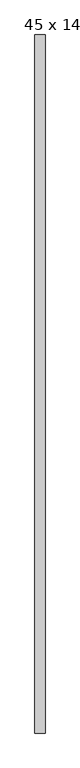
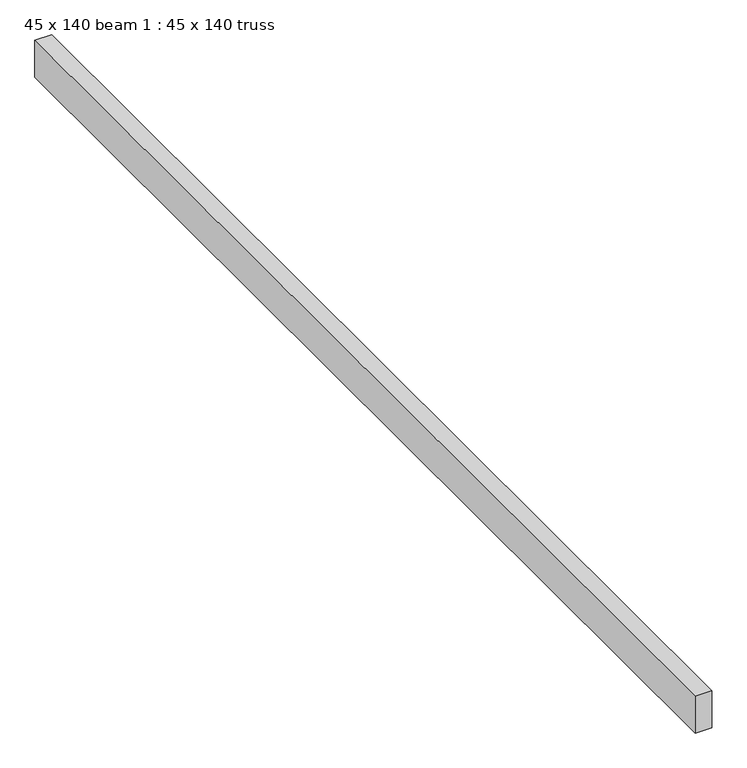
"""IFC4 building model written with IfcOpenShell, lengths in millimetres: proxy geometry, 45 x 140 beam 1 : 45 x 140 truss."""

from ifc_helpers import new_model, si_unit, frame, origin, place, context, project, spatial, polyline, outline, extrude, source, transform, mapped, element, save


def proxy_45_x_140_beam_1_45_x_140_truss_f7db9023(model_context):
    return source(origin(), model_context, "Body", "SweptSolid", [
        extrude(outline(polyline([(-1204.2625768, -4551.0033806), (-1249.2625768, -4551.0033806), (-1249.2625768, -1461.0033806), (-1204.2625768, -1461.0033806), (-1204.2625768, -4551.0033806)])), frame((0.0, 0.0, 3679.1177703), z_axis=(0.0, 0.0, 1.0), x_axis=(1.0, 0.0, 0.0)), (0.0, 0.0, 1.0), 105.1275103),
    ])


if __name__ == "__main__":
    model = new_model("IFC4")
    model_context = context("Model", 3, world=origin())
    ifc_project = project(units=[si_unit("LENGTHUNIT", "METRE", prefix="MILLI")], contexts=[model_context])
    site = spatial("IfcSite", under=ifc_project)
    building = spatial("IfcBuilding", under=site)
    placement = place(None, origin())
    proxy_45_x_140_beam_1_45_x_140_truss_shape = proxy_45_x_140_beam_1_45_x_140_truss_f7db9023(model_context)
    element("IfcBuildingElementProxy", 1, Name="45 x 140 beam 1 : 45 x 140 truss", ObjectType="45 x 140 beam 1 : 45 x 140 truss", at=placement, inside=building, context=model_context, shape_type="MappedRepresentation", body=[
        mapped(proxy_45_x_140_beam_1_45_x_140_truss_shape, transform((0.0, 0.0, 0.0), x_axis=(1.0, 0.0, 0.0), y_axis=(0.0, 1.0, 0.0), z_axis=(0.0, 0.0, 1.0))),
    ])
    save(model, "model.ifc")
